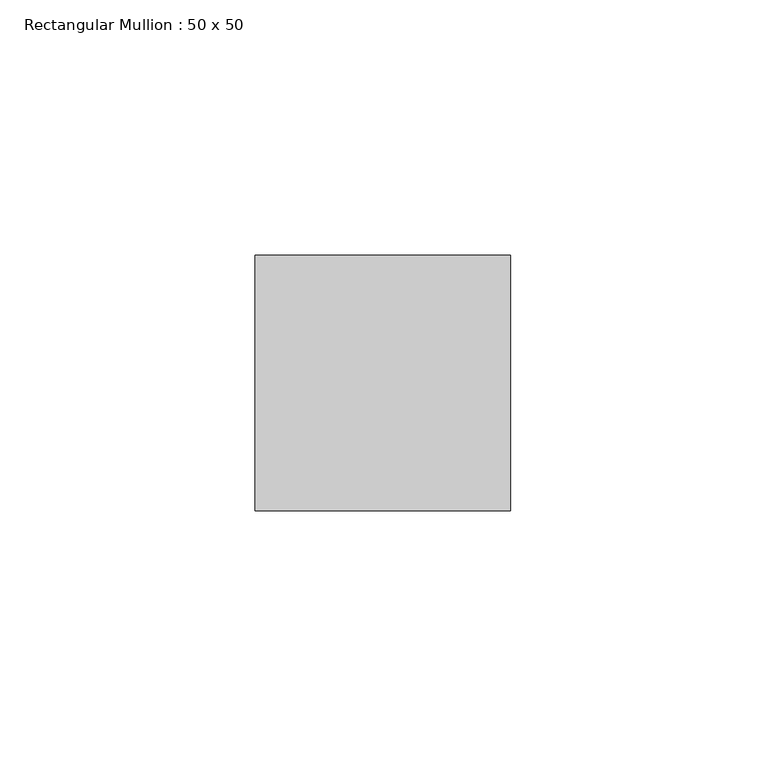
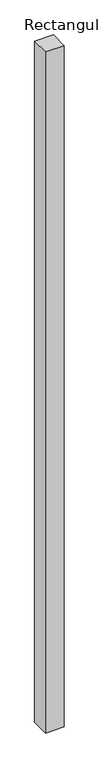
"""IFC4 building model written with IfcOpenShell, lengths in millimetres: member geometry, Rectangular Mullion : 50 x 50."""

from ifc_helpers import new_model, si_unit, frame, origin, place, context, project, spatial, polyline, outline, extrude, source, transform, mapped, element, save


def rectangular_mullion_50_x_50_4ac24b91(model_context):
    return source(origin(), model_context, "Body", "SweptSolid", [
        extrude(outline(polyline([(25.0, 25.0), (25.0, -25.0), (-25.0, -25.0), (-25.0, 25.0), (25.0, 25.0)])), frame((0.0, 0.0, -1927.0319775), z_axis=(0.0, 0.0, 1.0), x_axis=(1.0, 0.0, 0.0)), (0.0, 0.0, 1.0), 1927.0319775),
    ])


if __name__ == "__main__":
    model = new_model("IFC4")
    model_context = context("Model", 3, world=origin())
    ifc_project = project(units=[si_unit("LENGTHUNIT", "METRE", prefix="MILLI")], contexts=[model_context])
    site = spatial("IfcSite", under=ifc_project)
    building = spatial("IfcBuilding", under=site)
    placement = place(None, origin())
    rectangular_mullion_50_x_50_shape = rectangular_mullion_50_x_50_4ac24b91(model_context)
    element("IfcMember", 1, ObjectType="Rectangular Mullion : 50 x 50", at=placement, inside=building, context=model_context, shape_type="MappedRepresentation", body=[
        mapped(rectangular_mullion_50_x_50_shape, transform((0.0, 0.0, 0.0), x_axis=(1.0, 0.0, 0.0), y_axis=(0.0, 1.0, 0.0), z_axis=(0.0, 0.0, 1.0))),
    ])
    save(model, "model.ifc")
